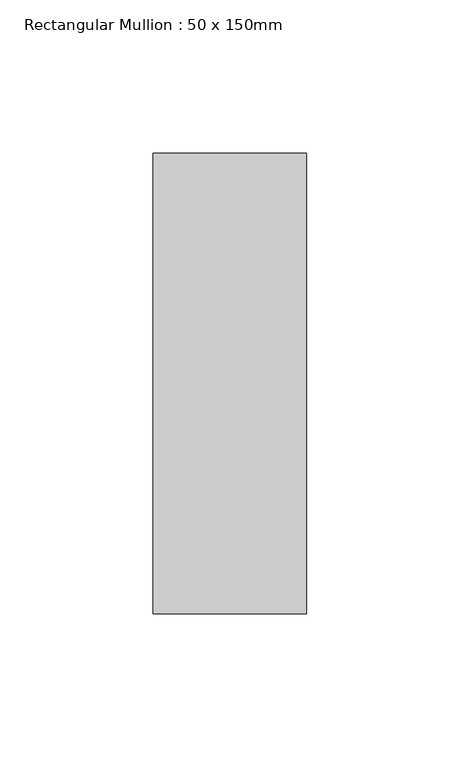
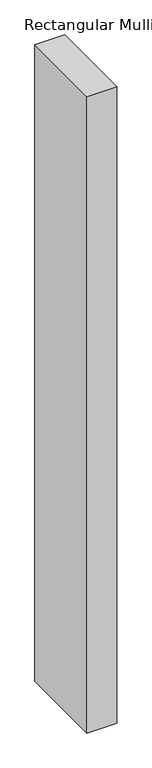
"""IFC4 building model written with IfcOpenShell, lengths in millimetres: member geometry, Rectangular Mullion : 50 x 150mm."""

import ifcopenshell
import ifcopenshell.guid

model = None  # the IFC model being written
_history = None  # IfcOwnerHistory: only IFC2X3 demands one
_inside = {}  # id of a spatial element -> (the spatial element, [elements in it])
_under = {}  # id of a project, library or spatial element -> (it, [spatial elements below it])
_declared = {}  # id of a project -> (the project, [libraries it declares])
_typed = {}  # id of a type object -> (the type object, [elements of that type])
_made_of = {}  # id of a material, layer set ... -> (it, [elements and type objects made of it])


def new_model(schema):
    """Start an empty IFC model of exactly this schema.

    Asked for "IFC4X3", IfcOpenShell would pick the latest addendum, in which some entities
    have other attributes; the version numbers below select the first issue.
    IFC2X3 requires an IfcOwnerHistory on every rooted entity: one is made here for all.
    """
    global model, _history
    if schema == "IFC4X3":
        model = ifcopenshell.file(schema_version=(4, 3, 0, 0))
    else:
        model = ifcopenshell.file(schema=schema)
    _inside.clear()
    _under.clear()
    _declared.clear()
    _typed.clear()
    _made_of.clear()
    _history = None
    if model.schema == "IFC2X3":
        org = make("IfcOrganization", Name="unknown")
        user = make(
            "IfcPersonAndOrganization",
            ThePerson=make("IfcPerson", FamilyName="unknown"),
            TheOrganization=org,
        )
        app = make(
            "IfcApplication",
            ApplicationDeveloper=org,
            Version="unknown",
            ApplicationFullName="unknown",
            ApplicationIdentifier="unknown",
        )
        _history = make(
            "IfcOwnerHistory",
            OwningUser=user,
            OwningApplication=app,
            ChangeAction="ADDED",
            CreationDate=0,
        )
    return model


def make(cls, **values):
    """One entity of the class cls with the attributes given. An attribute that is None is left unset."""
    return model.create_entity(
        cls, **{name: value for name, value in values.items() if value is not None}
    )


def rooted(cls, **values):
    """An entity with a GlobalId (a new one), such as an element, a storey or a relation."""
    return make(cls, GlobalId=ifcopenshell.guid.new(), OwnerHistory=_history, **values)


def si_unit(unit_type, name, prefix=None):
    """IfcSIUnit, for example si_unit("LENGTHUNIT", "METRE", prefix="MILLI")."""
    return make("IfcSIUnit", UnitType=unit_type, Prefix=prefix, Name=name)


def assignment(units):
    """IfcUnitAssignment: the units of a project."""
    return None if units is None else make("IfcUnitAssignment", Units=units)


def point(xyz):
    """IfcCartesianPoint."""
    return None if xyz is None else make("IfcCartesianPoint", Coordinates=xyz)


def direction(xyz):
    """IfcDirection."""
    return None if xyz is None else make("IfcDirection", DirectionRatios=xyz)


def frame(location, z_axis=None, x_axis=None):
    """IfcAxis2Placement3D, a coordinate frame: its origin and axes. An axis left out is left unset."""
    return make(
        "IfcAxis2Placement3D",
        Location=point(location),
        Axis=direction(z_axis),
        RefDirection=direction(x_axis),
    )


def origin():
    """The frame at (0, 0, 0) with its axes left unset."""
    return frame((0.0, 0.0, 0.0))


def place(relative_to, where):
    """IfcLocalPlacement: puts the frame where relative to a parent placement (None: the world)."""
    return make(
        "IfcLocalPlacement", PlacementRelTo=relative_to, RelativePlacement=where
    )


def context(
    kind, dimensions, precision=None, world=None, true_north=None, identifier=None
):
    """IfcGeometricRepresentationContext, for example the 3D "Model" context."""
    return make(
        "IfcGeometricRepresentationContext",
        ContextIdentifier=identifier,
        ContextType=kind,
        CoordinateSpaceDimension=dimensions,
        Precision=precision,
        WorldCoordinateSystem=world,
        TrueNorth=true_north,
    )


def project(units=None, contexts=None):
    """IfcProject with its units and contexts."""
    return rooted(
        "IfcProject",
        Name="project",
        RepresentationContexts=contexts,
        UnitsInContext=assignment(units),
    )


def spatial(cls, under=None, at=None, **own):
    """A site, building, storey or space (cls), placed at a placement, below another one or the project."""
    s = rooted(cls, ObjectPlacement=at, **own)
    if under is not None:
        _under.setdefault(under.id(), (under, []))[1].append(s)
    return s


def polyline(points):
    """IfcPolyline through the points."""
    return make("IfcPolyline", Points=[point(p) for p in points])


def outline(outer, holes=None, kind="AREA"):
    """IfcArbitraryClosedProfileDef: a profile drawn as a closed curve; with holes, ...WithVoids."""
    if holes is None:
        return make("IfcArbitraryClosedProfileDef", ProfileType=kind, OuterCurve=outer)
    return make(
        "IfcArbitraryProfileDefWithVoids",
        ProfileType=kind,
        OuterCurve=outer,
        InnerCurves=holes,
    )


def extrude(swept, where, along, depth):
    """IfcExtrudedAreaSolid: the profile swept, set in the frame where, extruded along a direction by depth."""
    return make(
        "IfcExtrudedAreaSolid",
        SweptArea=swept,
        Position=where,
        ExtrudedDirection=direction(along),
        Depth=depth,
    )


def shape(context_of_items, identifier, shape_type, items):
    """IfcShapeRepresentation: the items that make up one representation, for example the "Body"."""
    return make(
        "IfcShapeRepresentation",
        ContextOfItems=context_of_items,
        RepresentationIdentifier=identifier,
        RepresentationType=shape_type,
        Items=items,
    )


def source(mapping_origin, context_of_items, identifier, shape_type, items):
    """IfcRepresentationMap: a shape defined once, which mapped items show again and again."""
    return make(
        "IfcRepresentationMap",
        MappingOrigin=mapping_origin,
        MappedRepresentation=shape(context_of_items, identifier, shape_type, items),
    )


def transform(
    local_origin,
    x_axis=None,
    y_axis=None,
    z_axis=None,
    scale=None,
    scale2=None,
    scale3=None,
    uniform=True,
):
    """IfcCartesianTransformationOperator3D, or its non-uniform kind. x_axis, y_axis, z_axis: its Axis1, 2, 3."""
    if uniform:
        return make(
            "IfcCartesianTransformationOperator3D",
            Axis1=direction(x_axis),
            Axis2=direction(y_axis),
            LocalOrigin=point(local_origin),
            Scale=scale,
            Axis3=direction(z_axis),
        )
    return make(
        "IfcCartesianTransformationOperator3DnonUniform",
        Axis1=direction(x_axis),
        Axis2=direction(y_axis),
        LocalOrigin=point(local_origin),
        Scale=scale,
        Axis3=direction(z_axis),
        Scale2=scale2,
        Scale3=scale3,
    )


def mapped(mapping_source, mapping_target):
    """IfcMappedItem: shows the shape of a source again, moved by a transform."""
    return make(
        "IfcMappedItem", MappingSource=mapping_source, MappingTarget=mapping_target
    )


def made_of(thing, what):
    """Note that an element or type object is made of a material, layer set ...; save() writes the relation."""
    if what is not None:
        _made_of.setdefault(what.id(), (what, []))[1].append(thing)
    return thing


def element(
    cls,
    number,
    at=None,
    inside=None,
    cuts=None,
    type_object=None,
    material=None,
    context=None,
    identifier="Body",
    shape_type=None,
    held_by="IfcProductDefinitionShape",
    body=None,
    shapes=None,
    **own,
):
    """One element of the class cls, such as IfcWall. Its Tag is "e" and its number.

    at: its placement. inside: the storey or other place that contains it. cuts: it is an
    opening in that element (IfcRelVoidsElement). A single representation is given by context,
    identifier, shape_type and body (its items); several are given by shapes. held_by: the class
    of the entity that holds the representations. save() writes the other relations.
    """
    e = rooted(cls, Tag="e%d" % number, ObjectPlacement=at, **own)
    if body is not None:
        shapes = [shape(context, identifier, shape_type, body)]
    if shapes is not None:
        e.Representation = make(held_by, Representations=shapes)
    if inside is not None:
        _inside.setdefault(inside.id(), (inside, []))[1].append(e)
    if cuts is not None:
        rooted(
            "IfcRelVoidsElement", RelatingBuildingElement=cuts, RelatedOpeningElement=e
        )
    if type_object is not None:
        _typed.setdefault(type_object.id(), (type_object, []))[1].append(e)
    return made_of(e, material)


def aggregate(whole, parts):
    """IfcRelAggregates: a whole, such as a stair, and the parts it consists of."""
    return rooted("IfcRelAggregates", RelatingObject=whole, RelatedObjects=parts)


def save(model, path):
    """Write the relations noted so far, then the file.

    IfcRelAggregates (storeys below a building ...), IfcRelContainedInSpatialStructure (elements
    in a storey), IfcRelDefinesByType, IfcRelAssociatesMaterial and IfcRelDeclares: one each for
    every whole, place, type object, material and project.
    """
    for whole, parts in _under.values():
        aggregate(whole, parts)
    for where, things in _inside.values():
        rooted(
            "IfcRelContainedInSpatialStructure",
            RelatedElements=things,
            RelatingStructure=where,
        )
    for kind, things in _typed.values():
        rooted("IfcRelDefinesByType", RelatedObjects=things, RelatingType=kind)
    for what, things in _made_of.values():
        rooted("IfcRelAssociatesMaterial", RelatedObjects=things, RelatingMaterial=what)
    for by, libraries in _declared.values():
        rooted("IfcRelDeclares", RelatingContext=by, RelatedDefinitions=libraries)
    model.write(path)


def rectangular_mullion_50_x_150mm_e2874f7b(model_context):
    return source(origin(), model_context, "Body", "SweptSolid", [
        extrude(outline(polyline([(0.0, 75.0), (0.0, -75.0), (-50.0, -75.0), (-50.0, 75.0), (0.0, 75.0)])), frame((0.0, 0.0, -1120.0), z_axis=(0.0, 0.0, 1.0), x_axis=(1.0, 0.0, 0.0)), (0.0, 0.0, 1.0), 1120.0),
    ])


if __name__ == "__main__":
    model = new_model("IFC4")
    model_context = context("Model", 3, world=origin())
    ifc_project = project(units=[si_unit("LENGTHUNIT", "METRE", prefix="MILLI")], contexts=[model_context])
    site = spatial("IfcSite", under=ifc_project)
    building = spatial("IfcBuilding", under=site)
    placement = place(None, origin())
    rectangular_mullion_50_x_150mm_shape = rectangular_mullion_50_x_150mm_e2874f7b(model_context)
    element("IfcMember", 1, ObjectType="Rectangular Mullion : 50 x 150mm", at=placement, inside=building, context=model_context, shape_type="MappedRepresentation", body=[
        mapped(rectangular_mullion_50_x_150mm_shape, transform((0.0, 0.0, 0.0), x_axis=(1.0, 0.0, 0.0), y_axis=(0.0, 1.0, 0.0), z_axis=(0.0, 0.0, 1.0))),
    ])
    save(model, "model.ifc")
